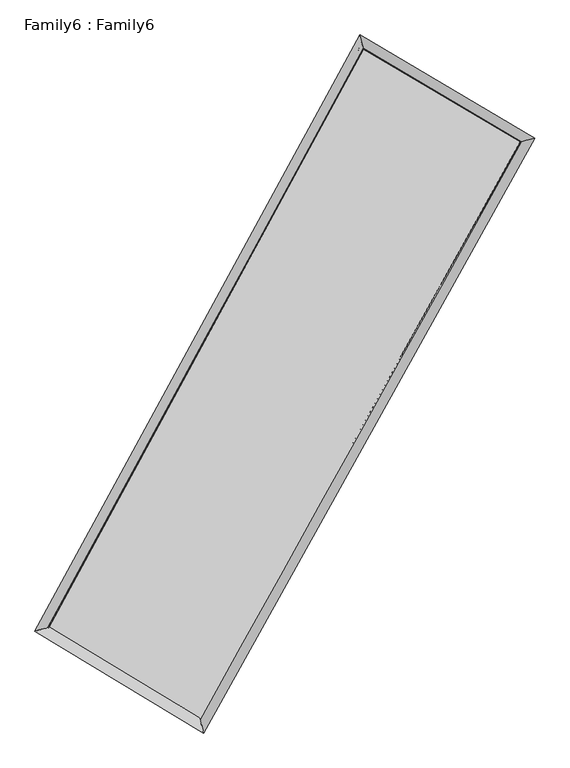
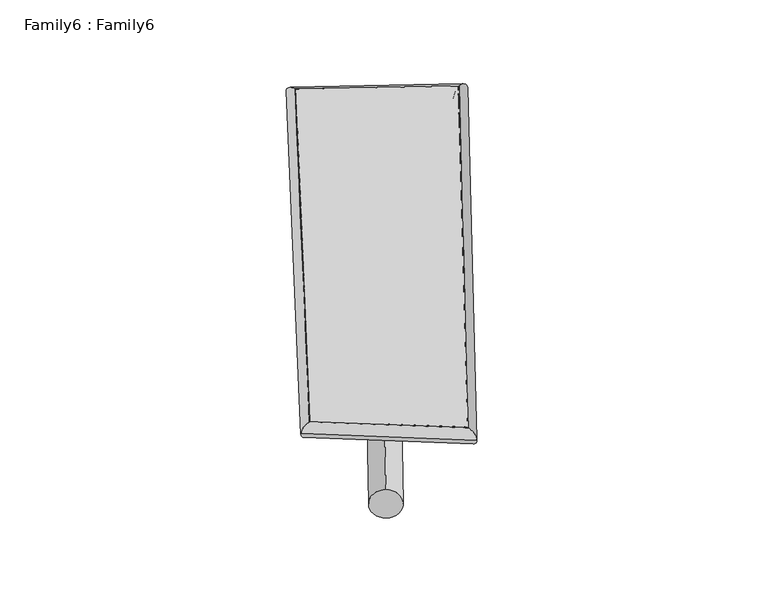
"""IFC4 building model written with IfcOpenShell, lengths in millimetres: plate geometry, Family6 : Family6."""

import ifcopenshell
import ifcopenshell.guid

model = None  # the IFC model being written
_history = None  # IfcOwnerHistory: only IFC2X3 demands one
_inside = {}  # id of a spatial element -> (the spatial element, [elements in it])
_under = {}  # id of a project, library or spatial element -> (it, [spatial elements below it])
_declared = {}  # id of a project -> (the project, [libraries it declares])
_typed = {}  # id of a type object -> (the type object, [elements of that type])
_made_of = {}  # id of a material, layer set ... -> (it, [elements and type objects made of it])


def new_model(schema):
    """Start an empty IFC model of exactly this schema.

    Asked for "IFC4X3", IfcOpenShell would pick the latest addendum, in which some entities
    have other attributes; the version numbers below select the first issue.
    IFC2X3 requires an IfcOwnerHistory on every rooted entity: one is made here for all.
    """
    global model, _history
    if schema == "IFC4X3":
        model = ifcopenshell.file(schema_version=(4, 3, 0, 0))
    else:
        model = ifcopenshell.file(schema=schema)
    _inside.clear()
    _under.clear()
    _declared.clear()
    _typed.clear()
    _made_of.clear()
    _history = None
    if model.schema == "IFC2X3":
        org = make("IfcOrganization", Name="unknown")
        user = make(
            "IfcPersonAndOrganization",
            ThePerson=make("IfcPerson", FamilyName="unknown"),
            TheOrganization=org,
        )
        app = make(
            "IfcApplication",
            ApplicationDeveloper=org,
            Version="unknown",
            ApplicationFullName="unknown",
            ApplicationIdentifier="unknown",
        )
        _history = make(
            "IfcOwnerHistory",
            OwningUser=user,
            OwningApplication=app,
            ChangeAction="ADDED",
            CreationDate=0,
        )
    return model


def make(cls, **values):
    """One entity of the class cls with the attributes given. An attribute that is None is left unset."""
    return model.create_entity(
        cls, **{name: value for name, value in values.items() if value is not None}
    )


def rooted(cls, **values):
    """An entity with a GlobalId (a new one), such as an element, a storey or a relation."""
    return make(cls, GlobalId=ifcopenshell.guid.new(), OwnerHistory=_history, **values)


def si_unit(unit_type, name, prefix=None):
    """IfcSIUnit, for example si_unit("LENGTHUNIT", "METRE", prefix="MILLI")."""
    return make("IfcSIUnit", UnitType=unit_type, Prefix=prefix, Name=name)


def assignment(units):
    """IfcUnitAssignment: the units of a project."""
    return None if units is None else make("IfcUnitAssignment", Units=units)


def point(xyz):
    """IfcCartesianPoint."""
    return None if xyz is None else make("IfcCartesianPoint", Coordinates=xyz)


def direction(xyz):
    """IfcDirection."""
    return None if xyz is None else make("IfcDirection", DirectionRatios=xyz)


def frame(location, z_axis=None, x_axis=None):
    """IfcAxis2Placement3D, a coordinate frame: its origin and axes. An axis left out is left unset."""
    return make(
        "IfcAxis2Placement3D",
        Location=point(location),
        Axis=direction(z_axis),
        RefDirection=direction(x_axis),
    )


def frame_2d(location, x_axis=None):
    """IfcAxis2Placement2D, a coordinate frame in the plane: its origin and x axis."""
    return make(
        "IfcAxis2Placement2D", Location=point(location), RefDirection=direction(x_axis)
    )


def origin():
    """The frame at (0, 0, 0) with its axes left unset."""
    return frame((0.0, 0.0, 0.0))


def origin_2d():
    """The frame at (0, 0) in the plane with its x axis left unset."""
    return frame_2d((0.0, 0.0))


def place(relative_to, where):
    """IfcLocalPlacement: puts the frame where relative to a parent placement (None: the world)."""
    return make(
        "IfcLocalPlacement", PlacementRelTo=relative_to, RelativePlacement=where
    )


def context(
    kind, dimensions, precision=None, world=None, true_north=None, identifier=None
):
    """IfcGeometricRepresentationContext, for example the 3D "Model" context."""
    return make(
        "IfcGeometricRepresentationContext",
        ContextIdentifier=identifier,
        ContextType=kind,
        CoordinateSpaceDimension=dimensions,
        Precision=precision,
        WorldCoordinateSystem=world,
        TrueNorth=true_north,
    )


def project(units=None, contexts=None):
    """IfcProject with its units and contexts."""
    return rooted(
        "IfcProject",
        Name="project",
        RepresentationContexts=contexts,
        UnitsInContext=assignment(units),
    )


def spatial(cls, under=None, at=None, **own):
    """A site, building, storey or space (cls), placed at a placement, below another one or the project."""
    s = rooted(cls, ObjectPlacement=at, **own)
    if under is not None:
        _under.setdefault(under.id(), (under, []))[1].append(s)
    return s


def circle_curve(where, radius):
    """IfcCircle in the frame where."""
    return make("IfcCircle", Position=where, Radius=radius)


def ellipse_curve(where, semi_axis1, semi_axis2):
    """IfcEllipse in the frame where."""
    return make(
        "IfcEllipse", Position=where, SemiAxis1=semi_axis1, SemiAxis2=semi_axis2
    )


def trimmed(basis, trim1, trim2, sense, master):
    """IfcTrimmedCurve: the piece of a basis curve between two trims."""
    return make(
        "IfcTrimmedCurve",
        BasisCurve=basis,
        Trim1=trim1,
        Trim2=trim2,
        SenseAgreement=sense,
        MasterRepresentation=master,
    )


def segment(curve, same_sense, transition):
    """IfcCompositeCurveSegment."""
    return make(
        "IfcCompositeCurveSegment",
        Transition=transition,
        SameSense=same_sense,
        ParentCurve=curve,
    )


def composite_curve(segments, self_intersect=None):
    """IfcCompositeCurve: segments joined end to end."""
    return make("IfcCompositeCurve", Segments=segments, SelfIntersect=self_intersect)


def outline(outer, holes=None, kind="AREA"):
    """IfcArbitraryClosedProfileDef: a profile drawn as a closed curve; with holes, ...WithVoids."""
    if holes is None:
        return make("IfcArbitraryClosedProfileDef", ProfileType=kind, OuterCurve=outer)
    return make(
        "IfcArbitraryProfileDefWithVoids",
        ProfileType=kind,
        OuterCurve=outer,
        InnerCurves=holes,
    )


def extrude(swept, where, along, depth):
    """IfcExtrudedAreaSolid: the profile swept, set in the frame where, extruded along a direction by depth."""
    return make(
        "IfcExtrudedAreaSolid",
        SweptArea=swept,
        Position=where,
        ExtrudedDirection=direction(along),
        Depth=depth,
    )


def shape(context_of_items, identifier, shape_type, items):
    """IfcShapeRepresentation: the items that make up one representation, for example the "Body"."""
    return make(
        "IfcShapeRepresentation",
        ContextOfItems=context_of_items,
        RepresentationIdentifier=identifier,
        RepresentationType=shape_type,
        Items=items,
    )


def source(mapping_origin, context_of_items, identifier, shape_type, items):
    """IfcRepresentationMap: a shape defined once, which mapped items show again and again."""
    return make(
        "IfcRepresentationMap",
        MappingOrigin=mapping_origin,
        MappedRepresentation=shape(context_of_items, identifier, shape_type, items),
    )


def transform(
    local_origin,
    x_axis=None,
    y_axis=None,
    z_axis=None,
    scale=None,
    scale2=None,
    scale3=None,
    uniform=True,
):
    """IfcCartesianTransformationOperator3D, or its non-uniform kind. x_axis, y_axis, z_axis: its Axis1, 2, 3."""
    if uniform:
        return make(
            "IfcCartesianTransformationOperator3D",
            Axis1=direction(x_axis),
            Axis2=direction(y_axis),
            LocalOrigin=point(local_origin),
            Scale=scale,
            Axis3=direction(z_axis),
        )
    return make(
        "IfcCartesianTransformationOperator3DnonUniform",
        Axis1=direction(x_axis),
        Axis2=direction(y_axis),
        LocalOrigin=point(local_origin),
        Scale=scale,
        Axis3=direction(z_axis),
        Scale2=scale2,
        Scale3=scale3,
    )


def mapped(mapping_source, mapping_target):
    """IfcMappedItem: shows the shape of a source again, moved by a transform."""
    return make(
        "IfcMappedItem", MappingSource=mapping_source, MappingTarget=mapping_target
    )


def made_of(thing, what):
    """Note that an element or type object is made of a material, layer set ...; save() writes the relation."""
    if what is not None:
        _made_of.setdefault(what.id(), (what, []))[1].append(thing)
    return thing


def element(
    cls,
    number,
    at=None,
    inside=None,
    cuts=None,
    type_object=None,
    material=None,
    context=None,
    identifier="Body",
    shape_type=None,
    held_by="IfcProductDefinitionShape",
    body=None,
    shapes=None,
    **own,
):
    """One element of the class cls, such as IfcWall. Its Tag is "e" and its number.

    at: its placement. inside: the storey or other place that contains it. cuts: it is an
    opening in that element (IfcRelVoidsElement). A single representation is given by context,
    identifier, shape_type and body (its items); several are given by shapes. held_by: the class
    of the entity that holds the representations. save() writes the other relations.
    """
    e = rooted(cls, Tag="e%d" % number, ObjectPlacement=at, **own)
    if body is not None:
        shapes = [shape(context, identifier, shape_type, body)]
    if shapes is not None:
        e.Representation = make(held_by, Representations=shapes)
    if inside is not None:
        _inside.setdefault(inside.id(), (inside, []))[1].append(e)
    if cuts is not None:
        rooted(
            "IfcRelVoidsElement", RelatingBuildingElement=cuts, RelatedOpeningElement=e
        )
    if type_object is not None:
        _typed.setdefault(type_object.id(), (type_object, []))[1].append(e)
    return made_of(e, material)


def aggregate(whole, parts):
    """IfcRelAggregates: a whole, such as a stair, and the parts it consists of."""
    return rooted("IfcRelAggregates", RelatingObject=whole, RelatedObjects=parts)


def save(model, path):
    """Write the relations noted so far, then the file.

    IfcRelAggregates (storeys below a building ...), IfcRelContainedInSpatialStructure (elements
    in a storey), IfcRelDefinesByType, IfcRelAssociatesMaterial and IfcRelDeclares: one each for
    every whole, place, type object, material and project.
    """
    for whole, parts in _under.values():
        aggregate(whole, parts)
    for where, things in _inside.values():
        rooted(
            "IfcRelContainedInSpatialStructure",
            RelatedElements=things,
            RelatingStructure=where,
        )
    for kind, things in _typed.values():
        rooted("IfcRelDefinesByType", RelatedObjects=things, RelatingType=kind)
    for what, things in _made_of.values():
        rooted("IfcRelAssociatesMaterial", RelatedObjects=things, RelatingMaterial=what)
    for by, libraries in _declared.values():
        rooted("IfcRelDeclares", RelatingContext=by, RelatedDefinitions=libraries)
    model.write(path)


def plane_surface(at):
    """IfcPlane: the flat surface through the origin of the frame at, square to its z axis."""
    return make("IfcPlane", Position=at)


def cylinder_surface(at, radius):
    """IfcCylindricalSurface: all points at the distance radius from the z axis of the frame at."""
    return make("IfcCylindricalSurface", Position=at, Radius=radius)


def spline_surface(u_degree, v_degree, points, u_multiplicities, v_multiplicities, u_knots, v_knots, weights=None):
    """IfcBSplineSurfaceWithKnots; with weights, IfcRationalBSplineSurfaceWithKnots. points: one row for each step in u."""
    own = dict(
        UDegree=u_degree,
        VDegree=v_degree,
        ControlPointsList=[[point(p) for p in row] for row in points],
        SurfaceForm="UNSPECIFIED",
        UClosed=False,
        VClosed=False,
        SelfIntersect=False,
        UMultiplicities=u_multiplicities,
        VMultiplicities=v_multiplicities,
        UKnots=u_knots,
        VKnots=v_knots,
        KnotSpec="UNSPECIFIED",
    )
    if weights is None:
        return make("IfcBSplineSurfaceWithKnots", **own)
    return make("IfcRationalBSplineSurfaceWithKnots", WeightsData=weights, **own)


def advanced_brep(points, edges, surfaces, faces):
    """IfcAdvancedBrep: a solid bounded by faces that lie on surfaces and meet in shared edges.

    An edge is (start, end): straight between two places in points (the first is 0);
    or (start, end, curve); or (start, end, curve, False) where it runs against its curve.
    A face is (place in surfaces, loops), or (place, loops, False) where it looks against
    its surface's normal. A loop lists edges by number (the first is 1), with a minus sign
    where the edge is run from its end to its start. The first loop is the outer one.
    """
    corners = [point(p) for p in points]
    vertices = [make("IfcVertexPoint", VertexGeometry=c) for c in corners]
    made = []
    for start, end, *more in edges:
        made.append(
            make(
                "IfcEdgeCurve",
                EdgeStart=vertices[start],
                EdgeEnd=vertices[end],
                EdgeGeometry=more[0] if more else make("IfcPolyline", Points=[corners[start], corners[end]]),
                SameSense=more[1] if len(more) > 1 else True,
            )
        )
    hull = []
    for where, loops, *sense in faces:
        bounds = []
        for j, loop in enumerate(loops):
            ring = [make("IfcOrientedEdge", EdgeElement=made[abs(k) - 1], Orientation=k > 0) for k in loop]
            bounds.append(
                make(
                    "IfcFaceOuterBound" if j == 0 else "IfcFaceBound",
                    Bound=make("IfcEdgeLoop", EdgeList=ring),
                    Orientation=True,
                )
            )
        hull.append(make("IfcAdvancedFace", Bounds=bounds, FaceSurface=surfaces[where], SameSense=sense[0] if sense else True))
    return make("IfcAdvancedBrep", Outer=make("IfcClosedShell", CfsFaces=hull))


def family6_family6_47f1256f(model_context):
    return source(origin(), model_context, "Body", "SolidModel", [
        extrude(outline(composite_curve([segment(trimmed(circle_curve(origin_2d(), 76.2), [point((-75.4341514, -10.7763073))], [point((75.4341514, 10.7763073))], False, "CARTESIAN"), True, "CONTINUOUS"), segment(trimmed(circle_curve(origin_2d(), 76.2), [point((75.4341514, 10.7763073))], [point((-75.4341514, -10.7763073))], False, "CARTESIAN"), True, "CONTINUOUS")], self_intersect=False)), frame((9144.0, 9144.0, 0.0), z_axis=(0.6727188069538577, 0.6839017871146517, 0.2823610319289195), x_axis=(-0.676987925166315, 0.7229258991723021, -0.13807785298492478)), (0.0, 0.0, 1.0), 5547.496138),
        extrude(outline(composite_curve([segment(trimmed(circle_curve(origin_2d(), 76.2), [point((-53.8815367, 53.8815367))], [point((53.8815367, -53.8815367))], False, "CARTESIAN"), True, "CONTINUOUS"), segment(trimmed(circle_curve(origin_2d(), 76.2), [point((53.8815367, -53.8815367))], [point((-53.8815367, 53.8815367))], False, "CARTESIAN"), True, "CONTINUOUS")], self_intersect=False)), frame((9144.0, 9144.0, 0.0), z_axis=(-0.6668071446277951, -0.6890644943588171, 0.28382803682397983), x_axis=(0.6495647495757618, -0.3507207028617282, 0.6745818146768806)), (0.0, 0.0, 1.0), 5522.1711659),
        extrude(outline(composite_curve([segment(trimmed(circle_curve(origin_2d(), 76.2), [point((-53.8815367, -53.8815368))], [point((53.8815367, 53.8815368))], False, "CARTESIAN"), True, "CONTINUOUS"), segment(trimmed(circle_curve(origin_2d(), 76.2), [point((53.8815367, 53.8815368))], [point((-53.8815367, -53.8815368))], False, "CARTESIAN"), True, "CONTINUOUS")], self_intersect=False)), frame((9144.0, 9144.0, 0.0), z_axis=(0.22460274738442504, 0.9379942128475922, 0.2640463264879745), x_axis=(-0.8471638881667983, 0.3218588630181605, -0.4227531417775266)), (0.0, 0.0, 1.0), 5599.0731498),
        extrude(outline(composite_curve([segment(trimmed(circle_curve(origin_2d(), 76.2), [point((-75.4341514, 10.7763073))], [point((75.4341514, -10.7763073))], False, "CARTESIAN"), True, "CONTINUOUS"), segment(trimmed(circle_curve(origin_2d(), 76.2), [point((75.4341514, -10.7763073))], [point((-75.4341514, 10.7763073))], False, "CARTESIAN"), True, "CONTINUOUS")], self_intersect=False)), frame((9144.0, 9144.0, 0.0), z_axis=(-0.23242139903414014, -0.9361710211179444, 0.2637500947677527), x_axis=(0.8915324477878246, -0.09666615207066162, 0.4425218069036843)), (0.0, 0.0, 1.0), 5601.059988),
        advanced_brep(
        [(5258.4854688, 5284.0740373, 1561.5204988), (5258.3207643, 5283.7919745, 1575.4757143), (5665.0681566, 5393.6617983, 1573.1735032), (10459.8071818, 14184.7426116, 1486.852596), (10343.3272427, 14607.0538121, 1469.9767979), (5665.2328611, 5393.943861, 1559.2182878), (12670.4070474, 12882.189384, 1565.4566903), (13081.4029197, 12993.6956616, 1567.336778), (7785.8618087, 4112.5083848, 1478.980887), (7898.5257943, 3688.3915186, 1475.5793183)],
        [
            (0, 1, ellipse_curve(frame((5461.7768127, 5338.8679178, 1567.347001), z_axis=(-0.26065018605552104, 0.9652934252952142, 0.01643422012310964), x_axis=(-0.9648725192730708, -0.2610411580061562, 0.02964009747693885)), 210.9431887, 152.4)),
            (1, 2, ellipse_curve(frame((5461.7768127, 5338.8679178, 1567.347001), z_axis=(-0.26065018605552104, 0.9652934252952142, 0.01643422012310964), x_axis=(-0.9648725192730708, -0.2610411580061562, 0.02964009747693885)), 210.9431887, 152.4)),
            (2, 3),
            (3, 4, ellipse_curve(frame((10401.5672123, 14395.8982118, 1478.4146969), z_axis=(-0.9637212063228574, -0.2664414737306163, -0.015823323287913683), x_axis=(0.26595918438398003, -0.9635977739038775, 0.02729546426240284)), 219.2173117, 152.4)),
            (4, 0),
            (2, 5, ellipse_curve(frame((5461.7768127, 5338.8679178, 1567.347001), z_axis=(-0.26065018605552104, 0.9652934252952142, 0.01643422012310964), x_axis=(-0.9648725192730708, -0.2610411580061562, 0.02964009747693885)), 210.9431887, 152.4)),
            (5, 0, ellipse_curve(frame((5461.7768127, 5338.8679178, 1567.347001), z_axis=(-0.26065018605552104, 0.9652934252952142, 0.01643422012310964), x_axis=(-0.9648725192730708, -0.2610411580061562, 0.02964009747693885)), 210.9431887, 152.4)),
            (4, 3, ellipse_curve(frame((10401.5672123, 14395.8982118, 1478.4146969), z_axis=(-0.9637212063228574, -0.2664414737306163, -0.015823323287913683), x_axis=(0.26595918438398003, -0.9635977739038775, 0.02729546426240284)), 219.2173117, 152.4)),
            (3, 6),
            (6, 7, ellipse_curve(frame((12875.9049835, 12937.9425228, 1566.3967341), z_axis=(-0.261745351432647, 0.9650144575892103, -0.015377504583066184), x_axis=(-0.9646347908057459, -0.26208986603735857, -0.028082423109022137)), 212.9857108, 152.4)),
            (7, 4),
            (7, 6, ellipse_curve(frame((12875.9049835, 12937.9425228, 1566.3967341), z_axis=(-0.261745351432647, 0.9650144575892103, -0.015377504583066184), x_axis=(-0.9646347908057459, -0.26208986603735857, -0.028082423109022137)), 212.9857108, 152.4)),
            (6, 8),
            (8, 9, ellipse_curve(frame((7842.1938015, 3900.4499517, 1477.2801026), z_axis=(0.9663052323425544, 0.2568300940576528, -0.01710265282753309), x_axis=(-0.25629274568373395, 0.9661796916765085, 0.028475110215407887)), 219.4702283, 152.4)),
            (9, 7),
            (9, 8, ellipse_curve(frame((7842.1938015, 3900.4499517, 1477.2801026), z_axis=(0.9663052323425544, 0.2568300940576528, -0.01710265282753309), x_axis=(-0.25629274568373395, 0.9661796916765085, 0.028475110215407887)), 219.4702283, 152.4)),
            (8, 5),
            (1, 9),
        ],
        [
            cylinder_surface(frame((5461.7768127, 5338.8679178, 1567.347001), z_axis=(-0.47880386522090157, -0.8778795781705825, 0.008620027874944671), x_axis=(-0.877156060706376, 0.4779531024263815, -0.04645510786844953)), 152.4),
            cylinder_surface(frame((10401.5672123, 14395.8982118, 1478.4146969), z_axis=(-0.861155198038593, 0.507419049533061, -0.030620794602310694), x_axis=(0.5081400572387551, 0.860948035812697, -0.023709952755203892)), 152.4),
            cylinder_surface(frame((12875.9049835, 12937.9425228, 1566.3967341), z_axis=(0.48657615784748076, 0.8735956936736725, 0.008614325812199007), x_axis=(0.8736353001957462, -0.4865761578474807, -0.0022371558444007765)), 152.4),
            cylinder_surface(frame((7842.1938015, 3900.4499517, 1477.2801026), z_axis=(0.8554274348964127, -0.5169103551139637, -0.032366470343549864), x_axis=(-0.5164319264271541, -0.8560361220603826, 0.02236566776468779)), 152.4),
        ],
        [
            (0, [[1, 2, 3, 4, 5]]),
            (0, [[6, 7, -5, 8, -3]]),
            (1, [[-4, 9, 10, 11]]),
            (1, [[-8, -11, 12, -9]]),
            (2, [[-10, 13, 14, 15]]),
            (2, [[-12, -15, 16, -13]]),
            (3, [[-14, 17, -6, -2, 18]]),
            (3, [[-16, -18, -1, -7, -17]]),
        ],
    ),
        extrude(outline(composite_curve([segment(trimmed(circle_curve(origin_2d(), 304.8), [point((0.0, 304.7999999))], [point((0.0, -304.8))], False, "CARTESIAN"), True, "CONTINUOUS"), segment(trimmed(circle_curve(origin_2d(), 304.8), [point((0.0, -304.8))], [point((0.0, 304.7999999))], False, "CARTESIAN"), True, "CONTINUOUS")], self_intersect=False)), frame((11688.3482006, 13659.4415601, -0.0746914), z_axis=(-0.4909078014919965, -0.8712115301272235, 1.4410991111467962e-05), x_axis=(-0.8712115302382086, 0.4909078014919965, -3.78068852716531e-06)), (0.0, 0.0, 1.0), 10365.8902664),
        advanced_brep(
        [(5461.7768127, 5338.8679178, 1567.347001), (7842.1938015, 3900.4499517, 1477.2801026), (7842.1730635, 3900.4575535, 1629.680101), (5461.7560747, 5338.8755195, 1719.7469994), (12875.9049835, 12937.9425228, 1566.3967341), (12875.8842456, 12937.9501245, 1718.7967325), (10401.5672123, 14395.8982118, 1478.4146969), (10401.5464743, 14395.9058136, 1630.8146953)],
        [
            (0, 1),
            (1, 2),
            (2, 3),
            (3, 0),
            (1, 4),
            (4, 5),
            (5, 2),
            (4, 6),
            (6, 7),
            (7, 5),
            (6, 0),
            (3, 7),
        ],
        [
            plane_surface(frame((6651.9853071, 4619.6589347, 1522.3135518), z_axis=(-0.5171820897967493, -0.8558753911797068, -2.7684859821403354e-05), x_axis=(0.8554274348964126, -0.5169103551139638, -0.03236647034354985))),
            plane_surface(frame((10359.0493925, 8419.1962373, 1521.8384184), z_axis=(0.8736274997465467, -0.486595284804876, 0.00014315117688355533), x_axis=(0.4865761578474809, 0.8735956936736724, 0.008614325812199009))),
            plane_surface(frame((11638.7360979, 13666.9203673, 1522.4057155), z_axis=(0.5076564141984682, 0.861559611658808, 2.6105114258710357e-05), x_axis=(-0.8611551980385928, 0.507419049533061, -0.03062079460231068))),
            plane_surface(frame((7931.6720125, 9867.3830648, 1522.880849), z_axis=(-0.8779127780148129, 0.478820565191279, -0.00014334649607629065), x_axis=(-0.4788038652209016, -0.8778795781705825, 0.008620027874944675))),
            spline_surface(1, 1, [[(7842.1730635, 3900.4575535, 1629.680101), (5461.7560747, 5338.8755195, 1719.7469994)], [(12875.8842456, 12937.9501245, 1718.7967325), (10401.5464743, 14395.9058136, 1630.8146953)]], [2, 2], [2, 2], [0.0, 1.0], [0.0, 1.0]),
            spline_surface(1, 1, [[(10401.5672123, 14395.8982118, 1478.4146969), (5461.7768127, 5338.8679178, 1567.347001)], [(12875.9049835, 12937.9425228, 1566.3967341), (7842.1938015, 3900.4499517, 1477.2801026)]], [2, 2], [2, 2], [0.0, 1.0], [0.0, 1.0]),
        ],
        [
            (0, [[1, 2, 3, 4]]),
            (1, [[5, 6, 7, -2]]),
            (2, [[8, 9, 10, -6]]),
            (3, [[11, -4, 12, -9]]),
            (4, [[-3, -7, -10, -12]]),
            (5, [[-11, -8, -5, -1]]),
        ],
    ),
    ])


if __name__ == "__main__":
    model = new_model("IFC4")
    model_context = context("Model", 3, world=origin())
    ifc_project = project(units=[si_unit("LENGTHUNIT", "METRE", prefix="MILLI")], contexts=[model_context])
    site = spatial("IfcSite", under=ifc_project)
    building = spatial("IfcBuilding", under=site)
    placement = place(None, origin())
    family6_family6_shape = family6_family6_47f1256f(model_context)
    element("IfcPlate", 1, ObjectType="Family6 : Family6", at=placement, inside=building, context=model_context, shape_type="MappedRepresentation", body=[
        mapped(family6_family6_shape, transform((0.0, 0.0, 0.0), x_axis=(1.0, 0.0, 0.0), y_axis=(0.0, 1.0, 0.0), z_axis=(0.0, 0.0, 1.0))),
    ])
    save(model, "model.ifc")
